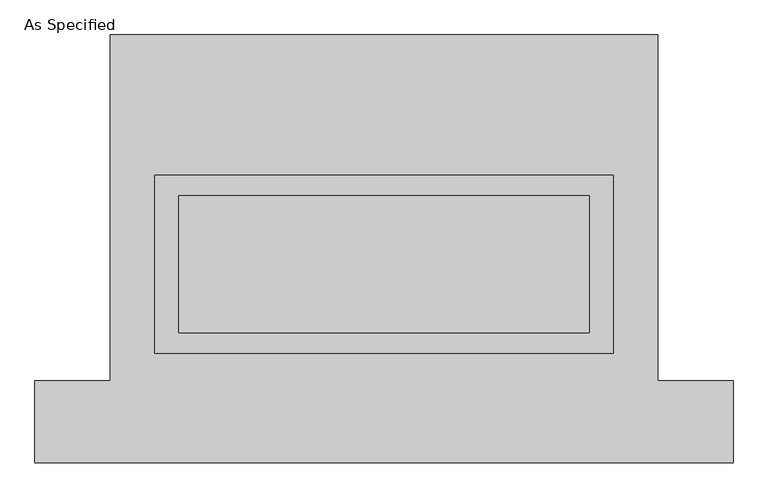
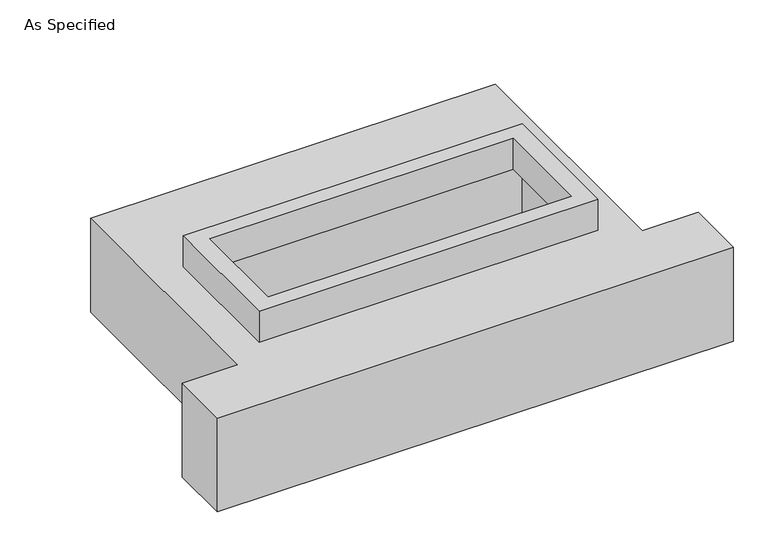
"""IFC4 building model written with IfcOpenShell, lengths in millimetres: proxy geometry, As Specified."""

from ifc_helpers import new_model, si_unit, frame, origin, place, context, project, spatial, polyline, outline, extrude, faceted_brep, source, transform, mapped, element, save


def as_specified_32e9bbdd(model_context):
    return source(origin(), model_context, "Body", "SolidModel", [
        extrude(outline(polyline([(850.9, 273.05), (850.9, -387.35), (-850.9, -387.35), (-850.9, 273.05), (850.9, 273.05)]), holes=[polyline([(762.0, 196.85), (-762.0, 196.85), (-762.0, -311.15), (762.0, -311.15), (762.0, 196.85)])]), frame((0.0, 0.0, -25.4), z_axis=(0.0, 0.0, 1.0), x_axis=(1.0, 0.0, 0.0)), (0.0, 0.0, 1.0), 165.1),
        faceted_brep([(-1016.0, 793.75, -523.875), (1016.0, 793.75, -523.875), (1016.0, -488.95, -523.875), (1295.4, -488.95, -523.875), (1295.4, -793.75, -523.875), (-1295.4, -793.75, -523.875), (-1295.4, -488.95, -523.875), (-1016.0, -488.95, -523.875), (1016.0, 793.75, -25.4), (-1016.0, 793.75, -25.4), (-1016.0, -488.95, -25.4), (-1295.4, -488.95, -25.4), (-1295.4, -793.75, -25.4), (1295.4, -793.75, -25.4), (1295.4, -488.95, -25.4), (1016.0, -488.95, -25.4), (-850.9, -387.35, -25.4), (-850.9, 273.05, -25.4), (850.9, 273.05, -25.4), (850.9, -387.35, -25.4), (850.9, 273.05, -498.475), (-850.9, 273.05, -498.475), (-850.9, -387.35, -498.475), (850.9, -387.35, -498.475)], [[[0, 1, 2, 3, 4, 5, 6, 7]], [[8, 9, 10, 11, 12, 13, 14, 15], [16, 17, 18, 19]], [[1, 0, 9, 8]], [[9, 0, 7, 10]], [[1, 8, 15, 2]], [[20, 21, 22, 23]], [[22, 21, 17, 16]], [[21, 20, 18, 17]], [[20, 23, 19, 18]], [[23, 22, 16, 19]], [[5, 4, 13, 12]], [[3, 2, 15, 14]], [[4, 3, 14, 13]], [[7, 6, 11, 10]], [[6, 5, 12, 11]]]),
    ])


if __name__ == "__main__":
    model = new_model("IFC4")
    model_context = context("Model", 3, world=origin())
    ifc_project = project(units=[si_unit("LENGTHUNIT", "METRE", prefix="MILLI")], contexts=[model_context])
    site = spatial("IfcSite", under=ifc_project)
    building = spatial("IfcBuilding", under=site)
    placement = place(None, origin())
    as_specified_shape = as_specified_32e9bbdd(model_context)
    element("IfcBuildingElementProxy", 1, Name="As Specified", ObjectType="As Specified", at=placement, inside=building, context=model_context, shape_type="MappedRepresentation", body=[
        mapped(as_specified_shape, transform((0.0, 0.0, 0.0), x_axis=(1.0, 0.0, 0.0), y_axis=(0.0, 1.0, 0.0), z_axis=(0.0, 0.0, 1.0))),
    ])
    save(model, "model.ifc")
